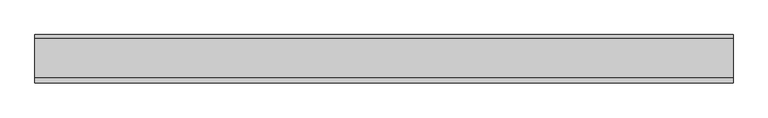
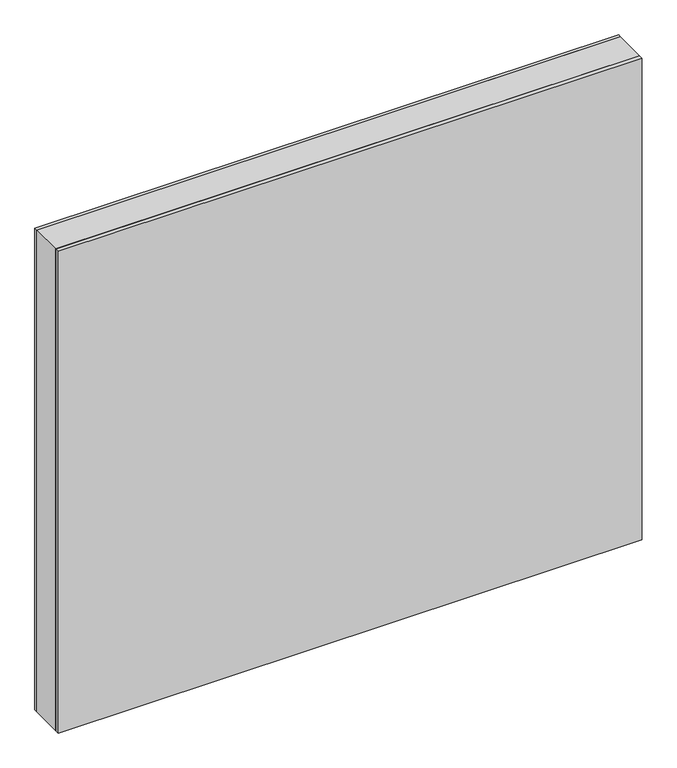
"""IFC4 building model written with IfcOpenShell, lengths in millimetres: plate geometry."""

import ifcopenshell
import ifcopenshell.guid

model = None  # the IFC model being written
_history = None  # IfcOwnerHistory: only IFC2X3 demands one
_inside = {}  # id of a spatial element -> (the spatial element, [elements in it])
_under = {}  # id of a project, library or spatial element -> (it, [spatial elements below it])
_declared = {}  # id of a project -> (the project, [libraries it declares])
_typed = {}  # id of a type object -> (the type object, [elements of that type])
_made_of = {}  # id of a material, layer set ... -> (it, [elements and type objects made of it])


def new_model(schema):
    """Start an empty IFC model of exactly this schema.

    Asked for "IFC4X3", IfcOpenShell would pick the latest addendum, in which some entities
    have other attributes; the version numbers below select the first issue.
    IFC2X3 requires an IfcOwnerHistory on every rooted entity: one is made here for all.
    """
    global model, _history
    if schema == "IFC4X3":
        model = ifcopenshell.file(schema_version=(4, 3, 0, 0))
    else:
        model = ifcopenshell.file(schema=schema)
    _inside.clear()
    _under.clear()
    _declared.clear()
    _typed.clear()
    _made_of.clear()
    _history = None
    if model.schema == "IFC2X3":
        org = make("IfcOrganization", Name="unknown")
        user = make(
            "IfcPersonAndOrganization",
            ThePerson=make("IfcPerson", FamilyName="unknown"),
            TheOrganization=org,
        )
        app = make(
            "IfcApplication",
            ApplicationDeveloper=org,
            Version="unknown",
            ApplicationFullName="unknown",
            ApplicationIdentifier="unknown",
        )
        _history = make(
            "IfcOwnerHistory",
            OwningUser=user,
            OwningApplication=app,
            ChangeAction="ADDED",
            CreationDate=0,
        )
    return model


def make(cls, **values):
    """One entity of the class cls with the attributes given. An attribute that is None is left unset."""
    return model.create_entity(
        cls, **{name: value for name, value in values.items() if value is not None}
    )


def rooted(cls, **values):
    """An entity with a GlobalId (a new one), such as an element, a storey or a relation."""
    return make(cls, GlobalId=ifcopenshell.guid.new(), OwnerHistory=_history, **values)


def si_unit(unit_type, name, prefix=None):
    """IfcSIUnit, for example si_unit("LENGTHUNIT", "METRE", prefix="MILLI")."""
    return make("IfcSIUnit", UnitType=unit_type, Prefix=prefix, Name=name)


def assignment(units):
    """IfcUnitAssignment: the units of a project."""
    return None if units is None else make("IfcUnitAssignment", Units=units)


def point(xyz):
    """IfcCartesianPoint."""
    return None if xyz is None else make("IfcCartesianPoint", Coordinates=xyz)


def direction(xyz):
    """IfcDirection."""
    return None if xyz is None else make("IfcDirection", DirectionRatios=xyz)


def frame(location, z_axis=None, x_axis=None):
    """IfcAxis2Placement3D, a coordinate frame: its origin and axes. An axis left out is left unset."""
    return make(
        "IfcAxis2Placement3D",
        Location=point(location),
        Axis=direction(z_axis),
        RefDirection=direction(x_axis),
    )


def origin():
    """The frame at (0, 0, 0) with its axes left unset."""
    return frame((0.0, 0.0, 0.0))


def origin_with_axes():
    """The frame at (0, 0, 0) with the z axis (0, 0, 1) and the x axis (1, 0, 0) written out."""
    return frame((0.0, 0.0, 0.0), z_axis=(0.0, 0.0, 1.0), x_axis=(1.0, 0.0, 0.0))


def place(relative_to, where):
    """IfcLocalPlacement: puts the frame where relative to a parent placement (None: the world)."""
    return make(
        "IfcLocalPlacement", PlacementRelTo=relative_to, RelativePlacement=where
    )


def context(
    kind, dimensions, precision=None, world=None, true_north=None, identifier=None
):
    """IfcGeometricRepresentationContext, for example the 3D "Model" context."""
    return make(
        "IfcGeometricRepresentationContext",
        ContextIdentifier=identifier,
        ContextType=kind,
        CoordinateSpaceDimension=dimensions,
        Precision=precision,
        WorldCoordinateSystem=world,
        TrueNorth=true_north,
    )


def project(units=None, contexts=None):
    """IfcProject with its units and contexts."""
    return rooted(
        "IfcProject",
        Name="project",
        RepresentationContexts=contexts,
        UnitsInContext=assignment(units),
    )


def spatial(cls, under=None, at=None, **own):
    """A site, building, storey or space (cls), placed at a placement, below another one or the project."""
    s = rooted(cls, ObjectPlacement=at, **own)
    if under is not None:
        _under.setdefault(under.id(), (under, []))[1].append(s)
    return s


def polyline(points):
    """IfcPolyline through the points."""
    return make("IfcPolyline", Points=[point(p) for p in points])


def outline(outer, holes=None, kind="AREA"):
    """IfcArbitraryClosedProfileDef: a profile drawn as a closed curve; with holes, ...WithVoids."""
    if holes is None:
        return make("IfcArbitraryClosedProfileDef", ProfileType=kind, OuterCurve=outer)
    return make(
        "IfcArbitraryProfileDefWithVoids",
        ProfileType=kind,
        OuterCurve=outer,
        InnerCurves=holes,
    )


def extrude(swept, where, along, depth):
    """IfcExtrudedAreaSolid: the profile swept, set in the frame where, extruded along a direction by depth."""
    return make(
        "IfcExtrudedAreaSolid",
        SweptArea=swept,
        Position=where,
        ExtrudedDirection=direction(along),
        Depth=depth,
    )


def shape(context_of_items, identifier, shape_type, items):
    """IfcShapeRepresentation: the items that make up one representation, for example the "Body"."""
    return make(
        "IfcShapeRepresentation",
        ContextOfItems=context_of_items,
        RepresentationIdentifier=identifier,
        RepresentationType=shape_type,
        Items=items,
    )


def source(mapping_origin, context_of_items, identifier, shape_type, items):
    """IfcRepresentationMap: a shape defined once, which mapped items show again and again."""
    return make(
        "IfcRepresentationMap",
        MappingOrigin=mapping_origin,
        MappedRepresentation=shape(context_of_items, identifier, shape_type, items),
    )


def transform(
    local_origin,
    x_axis=None,
    y_axis=None,
    z_axis=None,
    scale=None,
    scale2=None,
    scale3=None,
    uniform=True,
):
    """IfcCartesianTransformationOperator3D, or its non-uniform kind. x_axis, y_axis, z_axis: its Axis1, 2, 3."""
    if uniform:
        return make(
            "IfcCartesianTransformationOperator3D",
            Axis1=direction(x_axis),
            Axis2=direction(y_axis),
            LocalOrigin=point(local_origin),
            Scale=scale,
            Axis3=direction(z_axis),
        )
    return make(
        "IfcCartesianTransformationOperator3DnonUniform",
        Axis1=direction(x_axis),
        Axis2=direction(y_axis),
        LocalOrigin=point(local_origin),
        Scale=scale,
        Axis3=direction(z_axis),
        Scale2=scale2,
        Scale3=scale3,
    )


def mapped(mapping_source, mapping_target):
    """IfcMappedItem: shows the shape of a source again, moved by a transform."""
    return make(
        "IfcMappedItem", MappingSource=mapping_source, MappingTarget=mapping_target
    )


def made_of(thing, what):
    """Note that an element or type object is made of a material, layer set ...; save() writes the relation."""
    if what is not None:
        _made_of.setdefault(what.id(), (what, []))[1].append(thing)
    return thing


def element(
    cls,
    number,
    at=None,
    inside=None,
    cuts=None,
    type_object=None,
    material=None,
    context=None,
    identifier="Body",
    shape_type=None,
    held_by="IfcProductDefinitionShape",
    body=None,
    shapes=None,
    **own,
):
    """One element of the class cls, such as IfcWall. Its Tag is "e" and its number.

    at: its placement. inside: the storey or other place that contains it. cuts: it is an
    opening in that element (IfcRelVoidsElement). A single representation is given by context,
    identifier, shape_type and body (its items); several are given by shapes. held_by: the class
    of the entity that holds the representations. save() writes the other relations.
    """
    e = rooted(cls, Tag="e%d" % number, ObjectPlacement=at, **own)
    if body is not None:
        shapes = [shape(context, identifier, shape_type, body)]
    if shapes is not None:
        e.Representation = make(held_by, Representations=shapes)
    if inside is not None:
        _inside.setdefault(inside.id(), (inside, []))[1].append(e)
    if cuts is not None:
        rooted(
            "IfcRelVoidsElement", RelatingBuildingElement=cuts, RelatedOpeningElement=e
        )
    if type_object is not None:
        _typed.setdefault(type_object.id(), (type_object, []))[1].append(e)
    return made_of(e, material)


def aggregate(whole, parts):
    """IfcRelAggregates: a whole, such as a stair, and the parts it consists of."""
    return rooted("IfcRelAggregates", RelatingObject=whole, RelatedObjects=parts)


def save(model, path):
    """Write the relations noted so far, then the file.

    IfcRelAggregates (storeys below a building ...), IfcRelContainedInSpatialStructure (elements
    in a storey), IfcRelDefinesByType, IfcRelAssociatesMaterial and IfcRelDeclares: one each for
    every whole, place, type object, material and project.
    """
    for whole, parts in _under.values():
        aggregate(whole, parts)
    for where, things in _inside.values():
        rooted(
            "IfcRelContainedInSpatialStructure",
            RelatedElements=things,
            RelatingStructure=where,
        )
    for kind, things in _typed.values():
        rooted("IfcRelDefinesByType", RelatedObjects=things, RelatingType=kind)
    for what, things in _made_of.values():
        rooted("IfcRelAssociatesMaterial", RelatedObjects=things, RelatingMaterial=what)
    for by, libraries in _declared.values():
        rooted("IfcRelDeclares", RelatingContext=by, RelatedDefinitions=libraries)
    model.write(path)


def plate_99c71652(model_context):
    return source(origin(), model_context, "Body", "SweptSolid", [
        extrude(outline(polyline([(940.75, -539.6875001), (0.0, -539.6875001), (0.0, 539.6875001), (940.75, 539.6875001), (940.75, -539.6875001)]), holes=[polyline([(939.75, -538.6875001), (939.75, 538.6875001), (1.0, 538.6875001), (1.0, -538.6875001), (939.75, -538.6875001)])]), frame((0.0, -29.2, 0.0), z_axis=(0.0, 1.0, 0.0), x_axis=(0.0, 0.0, 1.0)), (0.0, 0.0, 1.0), 60.4),
        extrude(outline(polyline([(539.6875001, 31.2), (-539.6875001, 31.2), (-539.6875001, 37.2), (539.6875001, 37.2), (539.6875001, 31.2)])), origin_with_axes(), (0.0, 0.0, 1.0), 940.75),
        extrude(outline(polyline([(-539.6875001, -37.2), (-539.6875001, -29.2), (539.6875001, -29.2), (539.6875001, -37.2), (-539.6875001, -37.2)])), origin_with_axes(), (0.0, 0.0, 1.0), 940.75),
    ])


if __name__ == "__main__":
    model = new_model("IFC4")
    model_context = context("Model", 3, world=origin())
    ifc_project = project(units=[si_unit("LENGTHUNIT", "METRE", prefix="MILLI")], contexts=[model_context])
    site = spatial("IfcSite", under=ifc_project)
    building = spatial("IfcBuilding", under=site)
    placement = place(None, origin())
    plate_shape = plate_99c71652(model_context)
    element("IfcPlate", 1, at=placement, inside=building, context=model_context, shape_type="MappedRepresentation", body=[
        mapped(plate_shape, transform((0.0, 0.0, 0.0), x_axis=(1.0, 0.0, 0.0), y_axis=(0.0, 1.0, 0.0), z_axis=(0.0, 0.0, 1.0))),
    ])
    save(model, "model.ifc")
